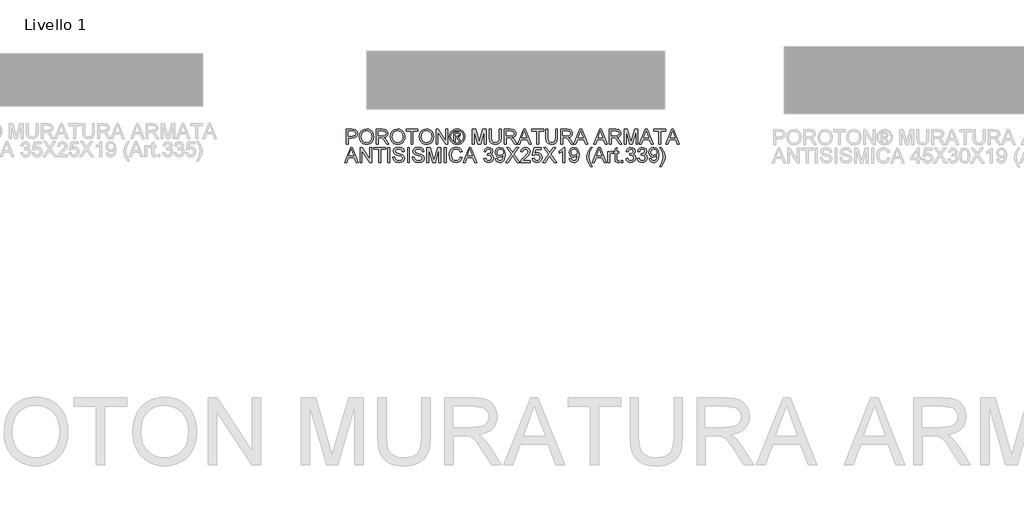
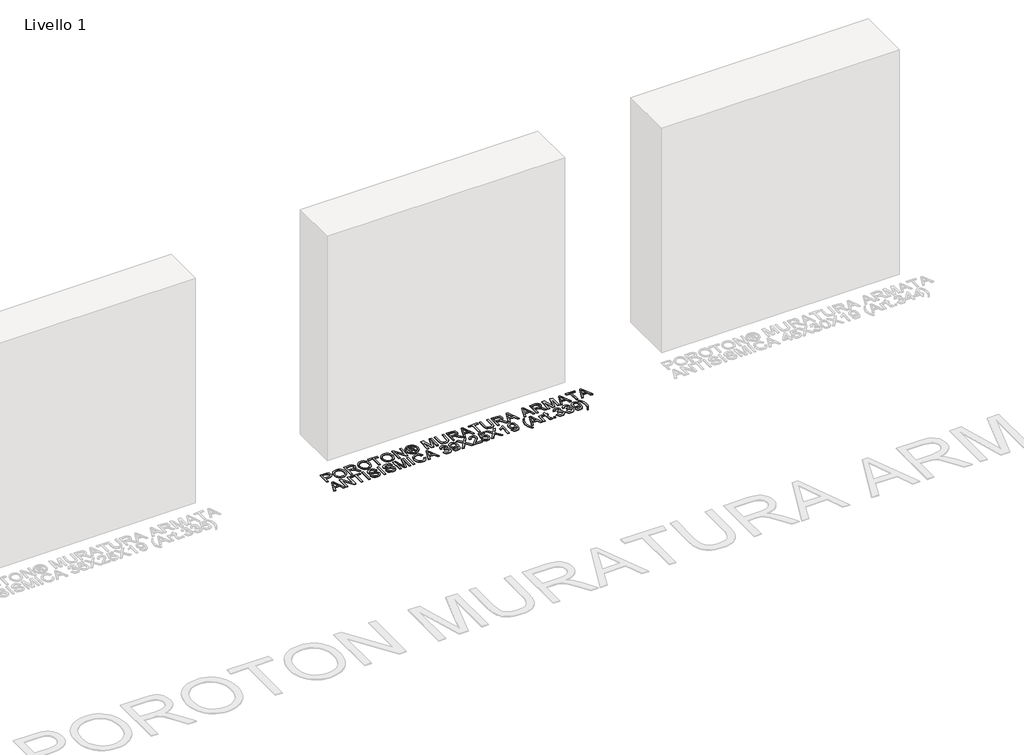
# One storey, part 5 of 8: 1 proxy.
"""IFC4 building model written with IfcOpenShell, lengths in millimetres."""

from ifc_helpers import new_model, si_unit, origin, origin_with_axes, place, context, project, spatial, polyline, outline, extrude, element, save

model = new_model("IFC4")

# Units and contexts
model_context = context("Model", 3, world=origin())
ifc_project = project(units=[si_unit("LENGTHUNIT", "METRE", prefix="MILLI")], contexts=[model_context])

# Site, building, storey
site = spatial("IfcSite", under=ifc_project)
building = spatial("IfcBuilding", under=site)
storey = spatial("IfcBuildingStorey", under=building, Name="Livello 1", Elevation=0.0)

# Proxy
placement = place(None, origin())
element("IfcBuildingElementProxy", 1, Name="100", ObjectType="100", at=placement, inside=storey, context=model_context, shape_type="SweptSolid", body=[
    extrude(outline(polyline([(1493.5332454, -939.3697225), (1493.5332454, -838.9134124), (1530.7629033, -838.9134124), (1545.7724887, -839.8699056), (1557.9739082, -844.5665324), (1565.8833711, -854.2786171), (1568.875478, -867.97609), (1566.8551927, -879.8157589), (1560.7943368, -889.6811277), (1549.4605057, -896.3397918), (1531.6212946, -898.5593465), (1506.0902841, -898.5593465), (1506.0902841, -939.3697225), (1493.5332454, -939.3697225)]), holes=[polyline([(1506.0902841, -886.0023078), (1532.3570586, -886.0023078), (1550.8492602, -881.3915201), (1554.9511445, -875.8426333), (1556.3184392, -868.4175484), (1553.0933404, -858.0187507), (1544.6197918, -852.3288425), (1532.062753, -851.4704512), (1506.0902841, -851.4704512), (1506.0902841, -886.0023078)])]), origin_with_axes(), (0.0, 0.0, 1.0), 5.0),
    extrude(outline(polyline([(1581.4325168, -890.4659427), (1584.7802429, -868.2520015), (1594.8234214, -851.4459257), (1610.1579692, -840.8693183), (1629.3798035, -837.3437825), (1642.5561103, -838.9992515), (1654.3712537, -843.9656585), (1664.1814402, -851.8935155), (1671.3428764, -862.4333346), (1675.7206721, -875.0762125), (1677.1799374, -889.3132457), (1675.64403, -903.7403513), (1671.0363081, -916.5610388), (1663.6112231, -927.1192521), (1653.6232269, -934.7589349), (1641.9092511, -939.394248), (1629.3062271, -940.9393524), (1615.9275852, -939.2317668), (1604.0449967, -934.10901), (1594.2593357, -926.0340002), (1587.1714759, -915.4696556), (1581.4325168, -890.4659427)]), holes=[polyline([(1593.9895555, -890.58857), (1596.5003501, -906.3032625), (1604.032734, -918.2778215), (1615.3543024, -925.8561906), (1629.2326507, -928.3823136), (1643.313334, -925.8316651), (1654.6532965, -918.1797196), (1662.1304981, -905.8372787), (1664.6228986, -889.2151439), (1660.3554675, -868.4911248), (1647.8842678, -854.7691264), (1629.4533799, -849.9008213), (1615.9459793, -852.246069), (1604.4619297, -859.2818122), (1596.6076491, -871.7989971), (1593.9895555, -890.58857)])]), origin_with_axes(), (0.0, 0.0, 1.0), 5.0),
    extrude(outline(polyline([(1694.4458657, -939.3697225), (1694.4458657, -838.9134124), (1737.7333138, -838.9134124), (1757.8319334, -841.6234764), (1768.8193424, -851.2129338), (1772.927358, -866.4064602), (1771.2259038, -876.3024858), (1766.1215411, -884.5062543), (1757.4609858, -890.521125), (1745.0909537, -893.850457), (1752.2278644, -899.2215341), (1762.4059329, -912.1464549), (1779.1568264, -939.3697225), (1764.564174, -939.3697225), (1751.4921004, -918.5476016), (1742.0497959, -904.7642895), (1735.4156572, -898.2527782), (1729.4437062, -895.8615452), (1722.1596426, -895.4200869), (1707.0029044, -895.4200869), (1707.0029044, -939.3697225), (1694.4458657, -939.3697225)]), holes=[polyline([(1707.0029044, -882.8630481), (1735.1090889, -882.8630481), (1749.444224, -881.0849518), (1757.5866788, -875.3950436), (1760.3703192, -866.872444), (1755.0605557, -855.8114587), (1738.272874, -851.4704512), (1707.0029044, -851.4704512), (1707.0029044, -882.8630481)])]), origin_with_axes(), (0.0, 0.0, 1.0), 5.0),
    extrude(outline(polyline([(1790.1932863, -890.4659427), (1793.5410124, -868.2520015), (1803.5841909, -851.4459257), (1818.9187387, -840.8693183), (1838.140573, -837.3437825), (1851.3168798, -838.9992515), (1863.1320232, -843.9656585), (1872.9422097, -851.8935155), (1880.1036459, -862.4333346), (1884.4814417, -875.0762125), (1885.9407069, -889.3132457), (1884.4047996, -903.7403513), (1879.7970776, -916.5610388), (1872.3719926, -927.1192521), (1862.3839965, -934.7589349), (1850.6700206, -939.394248), (1838.0669966, -940.9393524), (1824.6883547, -939.2317668), (1812.8057663, -934.10901), (1803.0201052, -926.0340002), (1795.9322454, -915.4696556), (1790.1932863, -890.4659427)]), holes=[polyline([(1802.7503251, -890.58857), (1805.2611197, -906.3032625), (1812.7935035, -918.2778215), (1824.1150719, -925.8561906), (1837.9934202, -928.3823136), (1852.0741036, -925.8316651), (1863.4140661, -918.1797196), (1870.8912676, -905.8372787), (1873.3836681, -889.2151439), (1869.116237, -868.4911248), (1856.6450374, -854.7691264), (1838.2141494, -849.9008213), (1824.7067488, -852.246069), (1813.2226992, -859.2818122), (1805.3684186, -871.7989971), (1802.7503251, -890.58857)])]), origin_with_axes(), (0.0, 0.0, 1.0), 5.0),
    extrude(outline(polyline([(1928.3207127, -939.3697225), (1928.3207127, -851.4704512), (1895.358486, -851.4704512), (1895.358486, -838.9134124), (1973.8399783, -838.9134124), (1973.8399783, -851.4704512), (1940.8777515, -851.4704512), (1940.8777515, -939.3697225), (1928.3207127, -939.3697225)])), origin_with_axes(), (0.0, 0.0, 1.0), 5.0),
    extrude(outline(polyline([(1983.2577574, -890.4659427), (1986.6054835, -868.2520015), (1996.648662, -851.4459257), (2011.9832098, -840.8693183), (2031.2050441, -837.3437825), (2044.3813509, -838.9992515), (2056.1964943, -843.9656585), (2066.0066808, -851.8935155), (2073.168117, -862.4333346), (2077.5459127, -875.0762125), (2079.005178, -889.3132457), (2077.4692706, -903.7403513), (2072.8615486, -916.5610388), (2065.4364637, -927.1192521), (2055.4484675, -934.7589349), (2043.7344917, -939.394248), (2031.1314677, -940.9393524), (2017.7528258, -939.2317668), (2005.8702373, -934.10901), (1996.0845763, -926.0340002), (1988.9967165, -915.4696556), (1983.2577574, -890.4659427)]), holes=[polyline([(1995.8147961, -890.58857), (1998.3255907, -906.3032625), (2005.8579746, -918.2778215), (2017.179543, -925.8561906), (2031.0578913, -928.3823136), (2045.1385746, -925.8316651), (2056.4785371, -918.1797196), (2063.9557387, -905.8372787), (2066.4481392, -889.2151439), (2062.1807081, -868.4911248), (2049.7095084, -854.7691264), (2031.2786205, -849.9008213), (2017.7712199, -852.246069), (2006.2871703, -859.2818122), (1998.4328897, -871.7989971), (1995.8147961, -890.58857)])]), origin_with_axes(), (0.0, 0.0, 1.0), 5.0),
    extrude(outline(polyline([(2096.2711063, -939.3697225), (2096.2711063, -838.9134124), (2109.7110618, -838.9134124), (2162.1955598, -918.4985507), (2162.1955598, -838.9134124), (2174.7525986, -838.9134124), (2174.7525986, -939.3697225), (2161.312643, -939.3697225), (2108.828145, -859.7600588), (2108.828145, -939.3697225), (2096.2711063, -939.3697225)])), origin_with_axes(), (0.0, 0.0, 1.0), 5.0),
    extrude(outline(polyline([(2237.5623179, -837.3437825), (2250.4565818, -839.0176456), (2263.0442774, -844.0392349), (2274.1021971, -852.1755583), (2282.4071331, -863.1936241), (2287.6034663, -875.9162097), (2289.3355773, -889.1660929), (2287.6279918, -902.2994802), (2282.505235, -914.9178326), (2274.3014665, -925.8960445), (2263.3508458, -934.10901), (2250.7416904, -939.2317668), (2237.5623179, -940.9393524), (2224.4013395, -939.2317668), (2211.7983155, -934.10901), (2200.8384977, -925.8960445), (2192.6071381, -914.9178326), (2187.4567901, -902.2994802), (2185.7400075, -889.1660929), (2187.4813156, -875.9162097), (2192.7052399, -863.1936241), (2201.0377671, -852.1755583), (2212.1048838, -844.0392349), (2224.6864481, -839.0176456), (2237.5623179, -837.3437825)]), holes=[polyline([(2237.5623179, -846.7615616), (2216.740197, -852.2430034), (2207.7117597, -858.9047331), (2200.884483, -867.9270391), (2195.1577866, -889.1660929), (2200.7741184, -910.2212058), (2216.4949423, -925.9052415), (2237.5623179, -931.5215733), (2258.6419562, -925.9052415), (2274.3259919, -910.2212058), (2279.9177983, -889.1660929), (2274.2278901, -867.9270391), (2267.4190075, -858.9047331), (2258.3721761, -852.2430034), (2237.5623179, -846.7615616)])]), origin_with_axes(), (0.0, 0.0, 1.0), 5.0),
    extrude(outline(polyline([(2213.9933447, -920.5341644), (2213.9933447, -857.7489705), (2234.2759054, -857.7489705), (2249.3345417, -859.4780159), (2256.7534953, -865.5112806), (2259.5126103, -874.6715423), (2254.7546698, -886.590919), (2242.1485801, -892.2808272), (2247.0536734, -895.6162906), (2255.6130611, -908.1488039), (2262.65187, -920.5341644), (2252.0568685, -920.5341644), (2246.5386386, -910.5768251), (2237.2925378, -896.1558508), (2229.2727103, -893.850457), (2223.4111238, -893.850457), (2223.4111238, -920.5341644), (2213.9933447, -920.5341644)]), holes=[polyline([(2223.4111238, -884.4326779), (2235.3305005, -884.4326779), (2246.980097, -882.041445), (2250.0948312, -875.7016119), (2248.5987777, -871.1398752), (2244.4417112, -868.1477683), (2234.570211, -867.1667496), (2223.4111238, -867.1667496), (2223.4111238, -884.4326779)])]), origin_with_axes(), (0.0, 0.0, 1.0), 5.0),
    extrude(outline(polyline([(2339.5637324, -939.3697225), (2339.5637324, -838.9134124), (2361.1706683, -838.9134124), (2381.7230091, -909.7184337), (2385.8678129, -924.5072899), (2390.3559732, -908.4921604), (2410.5649575, -838.9134124), (2432.1718933, -838.9134124), (2432.1718933, -939.3697225), (2419.6148546, -939.3697225), (2419.6148546, -851.4704512), (2394.3781497, -939.3697225), (2377.3574761, -939.3697225), (2352.1207712, -851.4704512), (2352.1207712, -939.3697225), (2339.5637324, -939.3697225)])), origin_with_axes(), (0.0, 0.0, 1.0), 5.0),
    extrude(outline(polyline([(2520.0711647, -838.9134124), (2532.6282035, -838.9134124), (2532.6282035, -896.8670894), (2529.2191637, -920.8897837), (2516.931905, -935.3598088), (2506.6679974, -939.5444665), (2493.632712, -940.9393524), (2470.6891382, -936.0833101), (2463.0494555, -930.1389501), (2457.9604212, -922.0179551), (2454.1467112, -896.8670894), (2454.1467112, -838.9134124), (2466.70375, -838.9134124), (2466.70375, -896.425631), (2469.1808221, -915.5677575), (2477.6911589, -925.0468502), (2492.4554896, -928.3823136), (2505.2271262, -926.732976), (2513.7190689, -921.7849632), (2518.4831408, -912.1464549), (2520.0711647, -896.425631), (2520.0711647, -838.9134124)])), origin_with_axes(), (0.0, 0.0, 1.0), 5.0),
    extrude(outline(polyline([(2554.6030213, -939.3697225), (2554.6030213, -838.9134124), (2597.8904694, -838.9134124), (2617.9890891, -841.6234764), (2628.976498, -851.2129338), (2633.0845136, -866.4064602), (2631.3830594, -876.3024858), (2626.2786967, -884.5062543), (2617.6181414, -890.521125), (2605.2481093, -893.850457), (2612.38502, -899.2215341), (2622.5630886, -912.1464549), (2639.3139821, -939.3697225), (2624.7213296, -939.3697225), (2611.6492561, -918.5476016), (2602.2069515, -904.7642895), (2595.5728129, -898.2527782), (2589.6008618, -895.8615452), (2582.3167983, -895.4200869), (2567.1600601, -895.4200869), (2567.1600601, -939.3697225), (2554.6030213, -939.3697225)]), holes=[polyline([(2567.1600601, -882.8630481), (2595.2662445, -882.8630481), (2609.6013796, -881.0849518), (2617.7438344, -875.3950436), (2620.5274749, -866.872444), (2615.2177114, -855.8114587), (2598.4300297, -851.4704512), (2567.1600601, -851.4704512), (2567.1600601, -882.8630481)])]), origin_with_axes(), (0.0, 0.0, 1.0), 5.0),
    extrude(outline(polyline([(2643.360684, -939.3697225), (2683.4598215, -838.9134124), (2694.1529248, -838.9134124), (2734.2520623, -939.3697225), (2720.983785, -939.3697225), (2709.4813413, -907.9771256), (2668.1068796, -907.9771256), (2656.6289613, -939.3697225), (2643.360684, -939.3697225)]), holes=[polyline([(2672.7176673, -895.4200869), (2704.8950791, -895.4200869), (2695.845182, -870.7229422), (2688.8063732, -851.4704512), (2682.5523793, -868.5647012), (2672.7176673, -895.4200869)])]), origin_with_axes(), (0.0, 0.0, 1.0), 5.0),
    extrude(outline(polyline([(2772.7815699, -939.3697225), (2772.7815699, -851.4704512), (2739.8193432, -851.4704512), (2739.8193432, -838.9134124), (2818.3008355, -838.9134124), (2818.3008355, -851.4704512), (2785.3386087, -851.4704512), (2785.3386087, -939.3697225), (2772.7815699, -939.3697225)])), origin_with_axes(), (0.0, 0.0, 1.0), 5.0),
    extrude(outline(polyline([(2898.3519576, -838.9134124), (2910.9089964, -838.9134124), (2910.9089964, -896.8670894), (2907.4999566, -920.8897837), (2895.2126979, -935.3598088), (2884.9487903, -939.5444665), (2871.9135049, -940.9393524), (2848.9699311, -936.0833101), (2841.3302484, -930.1389501), (2836.2412141, -922.0179551), (2832.4275041, -896.8670894), (2832.4275041, -838.9134124), (2844.9845429, -838.9134124), (2844.9845429, -896.425631), (2847.461615, -915.5677575), (2855.9719518, -925.0468502), (2870.7362825, -928.3823136), (2883.5079191, -926.732976), (2891.9998618, -921.7849632), (2896.7639337, -912.1464549), (2898.3519576, -896.425631), (2898.3519576, -838.9134124)])), origin_with_axes(), (0.0, 0.0, 1.0), 5.0),
    extrude(outline(polyline([(2932.8838142, -939.3697225), (2932.8838142, -838.9134124), (2976.1712623, -838.9134124), (2996.269882, -841.6234764), (3007.2572909, -851.2129338), (3011.3653065, -866.4064602), (3009.6638523, -876.3024858), (3004.5594896, -884.5062543), (2995.8989343, -890.521125), (2983.5289022, -893.850457), (2990.665813, -899.2215341), (3000.8438815, -912.1464549), (3017.594775, -939.3697225), (3003.0021225, -939.3697225), (2989.930049, -918.5476016), (2980.4877444, -904.7642895), (2973.8536058, -898.2527782), (2967.8816547, -895.8615452), (2960.5975912, -895.4200869), (2945.440853, -895.4200869), (2945.440853, -939.3697225), (2932.8838142, -939.3697225)]), holes=[polyline([(2945.440853, -882.8630481), (2973.5470374, -882.8630481), (2987.8821725, -881.0849518), (2996.0246273, -875.3950436), (2998.8082678, -866.872444), (2993.4985043, -855.8114587), (2976.7108226, -851.4704512), (2945.440853, -851.4704512), (2945.440853, -882.8630481)])]), origin_with_axes(), (0.0, 0.0, 1.0), 5.0),
    extrude(outline(polyline([(3021.6414769, -939.3697225), (3061.7406144, -838.9134124), (3072.4337177, -838.9134124), (3112.5328552, -939.3697225), (3099.2645779, -939.3697225), (3087.7621342, -907.9771256), (3046.3876725, -907.9771256), (3034.9097542, -939.3697225), (3021.6414769, -939.3697225)]), holes=[polyline([(3050.9984602, -895.4200869), (3083.175872, -895.4200869), (3074.1259749, -870.7229422), (3067.0871661, -851.4704512), (3060.8331722, -868.5647012), (3050.9984602, -895.4200869)])]), origin_with_axes(), (0.0, 0.0, 1.0), 5.0),
    extrude(outline(polyline([(3153.490384, -939.3697225), (3193.5895215, -838.9134124), (3204.2826248, -838.9134124), (3244.3817623, -939.3697225), (3231.113485, -939.3697225), (3219.6110413, -907.9771256), (3178.2365796, -907.9771256), (3166.7586613, -939.3697225), (3153.490384, -939.3697225)]), holes=[polyline([(3182.8473672, -895.4200869), (3215.0247791, -895.4200869), (3205.974882, -870.7229422), (3198.9360732, -851.4704512), (3192.6820792, -868.5647012), (3182.8473672, -895.4200869)])]), origin_with_axes(), (0.0, 0.0, 1.0), 5.0),
    extrude(outline(polyline([(3257.7971924, -939.3697225), (3257.7971924, -838.9134124), (3301.0846405, -838.9134124), (3321.1832602, -841.6234764), (3332.1706691, -851.2129338), (3336.2786847, -866.4064602), (3334.5772305, -876.3024858), (3329.4728678, -884.5062543), (3320.8123125, -890.521125), (3308.4422804, -893.850457), (3315.5791911, -899.2215341), (3325.7572596, -912.1464549), (3342.5081531, -939.3697225), (3327.9155007, -939.3697225), (3314.8434271, -918.5476016), (3305.4011226, -904.7642895), (3298.7669839, -898.2527782), (3292.7950329, -895.8615452), (3285.5109694, -895.4200869), (3270.3542311, -895.4200869), (3270.3542311, -939.3697225), (3257.7971924, -939.3697225)]), holes=[polyline([(3270.3542311, -882.8630481), (3298.4604156, -882.8630481), (3312.7955507, -881.0849518), (3320.9380055, -875.3950436), (3323.7216459, -866.872444), (3318.4118825, -855.8114587), (3301.6242007, -851.4704512), (3270.3542311, -851.4704512), (3270.3542311, -882.8630481)])]), origin_with_axes(), (0.0, 0.0, 1.0), 5.0),
    extrude(outline(polyline([(3358.2535025, -939.3697225), (3358.2535025, -838.9134124), (3379.8604384, -838.9134124), (3400.4127792, -909.7184337), (3404.557583, -924.5072899), (3409.0457433, -908.4921604), (3429.2547276, -838.9134124), (3450.8616634, -838.9134124), (3450.8616634, -939.3697225), (3438.3046247, -939.3697225), (3438.3046247, -851.4704512), (3413.0679198, -939.3697225), (3396.0472462, -939.3697225), (3370.8105413, -851.4704512), (3370.8105413, -939.3697225), (3358.2535025, -939.3697225)])), origin_with_axes(), (0.0, 0.0, 1.0), 5.0),
    extrude(outline(polyline([(3461.1378338, -939.3697225), (3501.2369713, -838.9134124), (3511.9300746, -838.9134124), (3552.0292121, -939.3697225), (3538.7609348, -939.3697225), (3527.2584911, -907.9771256), (3485.8840294, -907.9771256), (3474.4061111, -939.3697225), (3461.1378338, -939.3697225)]), holes=[polyline([(3490.4948171, -895.4200869), (3522.6722289, -895.4200869), (3513.6223318, -870.7229422), (3506.583523, -851.4704512), (3500.3295291, -868.5647012), (3490.4948171, -895.4200869)])]), origin_with_axes(), (0.0, 0.0, 1.0), 5.0),
    extrude(outline(polyline([(3590.5587198, -939.3697225), (3590.5587198, -851.4704512), (3557.596493, -851.4704512), (3557.596493, -838.9134124), (3636.0779853, -838.9134124), (3636.0779853, -851.4704512), (3603.1157585, -851.4704512), (3603.1157585, -939.3697225), (3590.5587198, -939.3697225)])), origin_with_axes(), (0.0, 0.0, 1.0), 5.0),
    extrude(outline(polyline([(3638.5060065, -939.3697225), (3678.6051439, -838.9134124), (3689.2982473, -838.9134124), (3729.3973847, -939.3697225), (3716.1291074, -939.3697225), (3704.6266637, -907.9771256), (3663.252202, -907.9771256), (3651.7742837, -939.3697225), (3638.5060065, -939.3697225)]), holes=[polyline([(3667.8629897, -895.4200869), (3700.0404015, -895.4200869), (3690.9905044, -870.7229422), (3683.9516956, -851.4704512), (3677.6977017, -868.5647012), (3667.8629897, -895.4200869)])]), origin_with_axes(), (0.0, 0.0, 1.0), 5.0),
    extrude(outline(polyline([(1481.8345979, -1061.3445404), (1521.9337354, -960.8882302), (1532.6268387, -960.8882302), (1572.7259762, -1061.3445404), (1559.4576989, -1061.3445404), (1547.9552552, -1029.9519435), (1506.5807935, -1029.9519435), (1495.1028752, -1061.3445404), (1481.8345979, -1061.3445404)]), holes=[polyline([(1511.1915811, -1017.3949047), (1543.368993, -1017.3949047), (1534.3190959, -992.6977601), (1527.2802871, -973.445269), (1521.0262932, -990.5395191), (1511.1915811, -1017.3949047)])]), origin_with_axes(), (0.0, 0.0, 1.0), 5.0),
    extrude(outline(polyline([(1586.1414063, -1061.3445404), (1586.1414063, -960.8882302), (1599.5813619, -960.8882302), (1652.0658598, -1040.4733685), (1652.0658598, -960.8882302), (1664.6228986, -960.8882302), (1664.6228986, -1061.3445404), (1651.182943, -1061.3445404), (1598.6984451, -981.7348766), (1598.6984451, -1061.3445404), (1586.1414063, -1061.3445404)])), origin_with_axes(), (0.0, 0.0, 1.0), 5.0),
    extrude(outline(polyline([(1711.711794, -1061.3445404), (1711.711794, -973.445269), (1678.7495672, -973.445269), (1678.7495672, -960.8882302), (1757.2310595, -960.8882302), (1757.2310595, -973.445269), (1724.2688328, -973.445269), (1724.2688328, -1061.3445404), (1711.711794, -1061.3445404)])), origin_with_axes(), (0.0, 0.0, 1.0), 5.0),
    extrude(outline(polyline([(1772.927358, -1061.3445404), (1772.927358, -960.8882302), (1785.4843968, -960.8882302), (1785.4843968, -1061.3445404), (1772.927358, -1061.3445404)])), origin_with_axes(), (0.0, 0.0, 1.0), 5.0),
    extrude(outline(polyline([(1805.8895848, -1026.8126838), (1818.4466235, -1026.8126838), (1822.4933255, -1039.3819853), (1832.3770884, -1047.3282364), (1847.4357247, -1050.3571315), (1860.5568492, -1048.0640004), (1869.0303979, -1041.7609555), (1871.8140383, -1033.3364578), (1869.7293736, -1025.5005713), (1861.1945114, -1019.7984004), (1842.9107762, -1015.0036717), (1823.2290895, -1008.8109915), (1812.5482489, -999.4667888), (1809.0288444, -986.9833264), (1813.3821147, -972.7708187), (1826.098569, -962.7399029), (1844.713398, -959.3186004), (1864.5790257, -962.8993185), (1877.8227775, -973.4207435), (1882.8014472, -989.1415675), (1870.2444084, -989.1415675), (1867.9390146, -981.6490375), (1863.1320232, -976.2411722), (1845.2039073, -971.8756392), (1827.2267405, -976.1921212), (1821.5858832, -986.6154444), (1825.5835342, -995.321985), (1846.0868241, -1002.3362684), (1868.3068966, -1008.6393132), (1880.4592652, -1018.8173817), (1884.3710771, -1033.0176268), (1879.870654, -1048.0394749), (1866.9212077, -1059.0023584), (1847.9262341, -1062.9141702), (1825.4976951, -1058.69579), (1811.3097128, -1045.9915985), (1805.8895848, -1026.8126838)])), origin_with_axes(), (0.0, 0.0, 1.0), 5.0),
    extrude(outline(polyline([(1904.7762651, -1061.3445404), (1904.7762651, -960.8882302), (1917.3333038, -960.8882302), (1917.3333038, -1061.3445404), (1904.7762651, -1061.3445404)])), origin_with_axes(), (0.0, 0.0, 1.0), 5.0),
    extrude(outline(polyline([(1937.7384918, -1026.8126838), (1950.2955306, -1026.8126838), (1954.3422325, -1039.3819853), (1964.2259955, -1047.3282364), (1979.2846318, -1050.3571315), (1992.4057563, -1048.0640004), (2000.8793049, -1041.7609555), (2003.6629454, -1033.3364578), (2001.5782807, -1025.5005713), (1993.0434184, -1019.7984004), (1974.7596833, -1015.0036717), (1955.0779965, -1008.8109915), (1944.3971559, -999.4667888), (1940.8777515, -986.9833264), (1945.2310218, -972.7708187), (1957.9474761, -962.7399029), (1976.562305, -959.3186004), (1996.4279328, -962.8993185), (2009.6716846, -973.4207435), (2014.6503543, -989.1415675), (2002.0933155, -989.1415675), (1999.7879217, -981.6490375), (1994.9809303, -976.2411722), (1977.0528144, -971.8756392), (1959.0756475, -976.1921212), (1953.4347903, -986.6154444), (1957.4324413, -995.321985), (1977.9357312, -1002.3362684), (2000.1558037, -1008.6393132), (2012.3081722, -1018.8173817), (2016.2199841, -1033.0176268), (2011.7195611, -1048.0394749), (1998.7701148, -1059.0023584), (1979.7751411, -1062.9141702), (1957.3466022, -1058.69579), (1943.1586199, -1045.9915985), (1937.7384918, -1026.8126838)])), origin_with_axes(), (0.0, 0.0, 1.0), 5.0),
    extrude(outline(polyline([(2035.0555423, -1061.3445404), (2035.0555423, -960.8882302), (2056.6624781, -960.8882302), (2077.2148189, -1031.6932516), (2081.3596227, -1046.4821078), (2085.8477831, -1030.4669783), (2106.0567673, -960.8882302), (2127.6637032, -960.8882302), (2127.6637032, -1061.3445404), (2115.1066644, -1061.3445404), (2115.1066644, -973.445269), (2089.8699596, -1061.3445404), (2072.8492859, -1061.3445404), (2047.612581, -973.445269), (2047.612581, -1061.3445404), (2035.0555423, -1061.3445404)])), origin_with_axes(), (0.0, 0.0, 1.0), 5.0),
    extrude(outline(polyline([(2151.2081509, -1061.3445404), (2151.2081509, -960.8882302), (2163.7651897, -960.8882302), (2163.7651897, -1061.3445404), (2151.2081509, -1061.3445404)])), origin_with_axes(), (0.0, 0.0, 1.0), 5.0),
    extrude(outline(polyline([(2259.5126103, -1025.6354614), (2272.069649, -1028.8728229), (2266.2755076, -1043.5053293), (2257.182691, -1054.195367), (2245.2387889, -1060.7344694), (2230.891391, -1062.9141702), (2216.3263297, -1061.2648326), (2204.7595067, -1056.3168198), (2195.8935506, -1048.24181), (2189.4310902, -1037.2114815), (2184.1703777, -1010.3560959), (2185.6572341, -995.7082611), (2190.1178032, -983.0592518), (2197.3190933, -972.8106726), (2207.0281123, -965.3641278), (2218.5428187, -960.8299823), (2231.1611712, -959.3186004), (2244.9291548, -961.2745063), (2256.3120369, -967.1422242), (2264.9541981, -976.5600032), (2270.5000192, -989.1660929), (2257.9429804, -992.1581998), (2247.6422846, -976.7194188), (2230.6706618, -971.8756392), (2211.0257633, -977.2467163), (2199.9279898, -991.6676905), (2196.7274164, -1010.3315704), (2200.516601, -1031.9630317), (2212.3133503, -1045.783132), (2229.6405923, -1050.3571315), (2240.1221634, -1048.7997644), (2248.8562951, -1044.127663), (2255.4505799, -1036.3898784), (2259.5126103, -1025.6354614)])), origin_with_axes(), (0.0, 0.0, 1.0), 5.0),
    extrude(outline(polyline([(2277.6369299, -1061.3445404), (2317.7360674, -960.8882302), (2328.4291707, -960.8882302), (2368.5283082, -1061.3445404), (2355.2600309, -1061.3445404), (2343.7575872, -1029.9519435), (2302.3831254, -1029.9519435), (2290.9052072, -1061.3445404), (2277.6369299, -1061.3445404)]), holes=[polyline([(2306.9939131, -1017.3949047), (2339.171325, -1017.3949047), (2330.1214279, -992.6977601), (2323.082619, -973.445269), (2316.8286251, -990.5395191), (2306.9939131, -1017.3949047)])]), origin_with_axes(), (0.0, 0.0, 1.0), 5.0),
    extrude(outline(polyline([(2416.4755949, -1034.660833), (2429.0326336, -1033.0912032), (2435.9610779, -1046.3104295), (2448.9227869, -1050.3571315), (2457.5312255, -1048.9653113), (2464.1776269, -1044.7898506), (2469.8430096, -1031.0065385), (2464.2266779, -1018.0203041), (2449.9528564, -1012.8822189), (2441.148214, -1014.255645), (2442.5461656, -1001.6986062), (2444.5572538, -1001.845759), (2458.8065498, -998.2405155), (2463.5522275, -993.666516), (2465.1341201, -987.1550047), (2460.5478579, -977.3325554), (2448.7265831, -973.445269), (2436.7581555, -977.3693436), (2430.6022635, -989.1415675), (2418.0452247, -987.5719376), (2421.7424388, -976.2963545), (2428.3213951, -967.8779881), (2437.3222413, -962.6356697), (2448.2851247, -960.8882302), (2463.4296002, -964.3340583), (2474.0246017, -973.7518373), (2477.6911589, -986.4192407), (2474.2085427, -997.9952608), (2463.9078468, -1006.3093939), (2477.593057, -1014.8933071), (2482.4000484, -1031.2272677), (2479.9965527, -1043.4654754), (2472.7860656, -1053.6925949), (2461.9028899, -1060.6087764), (2448.4813285, -1062.9141702), (2436.3412226, -1060.9460016), (2426.4574597, -1055.0414955), (2419.5841977, -1046.0099926), (2416.4755949, -1034.660833)])), origin_with_axes(), (0.0, 0.0, 1.0), 5.0),
    extrude(outline(polyline([(2494.9570872, -1036.2304629), (2507.514126, -1034.660833), (2513.1549832, -1046.6415233), (2523.8480865, -1050.3571315), (2534.0138923, -1047.9658985), (2540.9055484, -1041.5770145), (2545.013564, -1030.663182), (2546.8284485, -1016.095055), (2546.7548721, -1013.6425083), (2536.7116936, -1023.1583893), (2522.9406443, -1026.8126838), (2511.4903172, -1024.5808663), (2501.9591078, -1017.885414), (2495.53037, -1007.5417986), (2493.3874573, -994.3654918), (2495.6346032, -980.753858), (2502.3760408, -970.0852801), (2512.5019927, -963.1874927), (2524.9026816, -960.8882302), (2542.7940093, -966.13668), (2555.1057934, -981.0972145), (2559.3119109, -1009.2033989), (2555.1180561, -1039.7008163), (2549.9033288, -1049.6918782), (2542.6468565, -1056.9790074), (2533.6613388, -1061.4303795), (2523.2594753, -1062.9141702), (2512.5234525, -1061.1636651), (2503.9579333, -1055.9121496), (2497.9675882, -1047.4907176), (2494.9570872, -1036.2304629)]), holes=[polyline([(2546.7548721, -994.0711862), (2545.3998401, -985.5608494), (2541.334744, -979.0125499), (2535.0255678, -974.8370892), (2526.9382953, -973.445269), (2518.5505858, -974.9443881), (2511.830608, -979.4417455), (2507.4160241, -986.3242045), (2505.9444961, -994.9786285), (2507.3363163, -1002.7378729), (2511.511777, -1008.8968306), (2518.0662078, -1012.9159414), (2526.5949388, -1014.255645), (2541.0772266, -1008.8968306), (2545.3354607, -1002.5110123), (2546.7548721, -994.0711862)])]), origin_with_axes(), (0.0, 0.0, 1.0), 5.0),
    extrude(outline(polyline([(2564.0208004, -1061.3445404), (2602.7465118, -1006.6036995), (2570.2993198, -960.8882302), (2585.3579561, -960.8882302), (2603.6294286, -986.6154444), (2609.7853206, -996.6463602), (2616.9958077, -986.4437662), (2635.0710764, -960.8882302), (2650.3504419, -960.8882302), (2617.90325, -1006.7508523), (2656.6289613, -1061.3445404), (2641.570325, -1061.3445404), (2615.7695344, -1024.9487483), (2610.3984573, -1017.3949047), (2604.4878199, -1025.6845123), (2579.3001659, -1061.3445404), (2564.0208004, -1061.3445404)])), origin_with_axes(), (0.0, 0.0, 1.0), 5.0),
    extrude(outline(polyline([(2728.8319342, -1048.7875016), (2728.8319342, -1061.3445404), (2662.9074807, -1061.3445404), (2664.2563814, -1052.6870508), (2671.8838014, -1039.3574598), (2687.6046253, -1024.8015955), (2709.2851376, -1003.8813727), (2714.7052656, -989.6566023), (2709.5917059, -978.1418958), (2696.2375895, -973.445269), (2682.3193873, -978.0315312), (2677.0341493, -990.7111973), (2664.4771106, -989.1415675), (2667.5213341, -976.9953303), (2674.1033561, -968.1232428), (2683.8798201, -962.6969834), (2696.5073696, -960.8882302), (2709.2268896, -962.8993185), (2718.9849595, -968.9325832), (2725.1929682, -977.9456921), (2727.2623044, -988.8963128), (2725.030487, -1000.8034267), (2717.6115334, -1013.1152108), (2699.6221038, -1030.3198255), (2685.1766042, -1042.3986176), (2679.5112214, -1048.7875016), (2728.8319342, -1048.7875016)])), origin_with_axes(), (0.0, 0.0, 1.0), 5.0),
    extrude(outline(polyline([(2741.388973, -1034.660833), (2753.9460118, -1033.0912032), (2760.2735821, -1046.0283867), (2773.3947066, -1050.3571315), (2782.3955527, -1048.851881), (2789.140056, -1044.3361295), (2793.3523048, -1037.3310432), (2794.7563878, -1028.3577882), (2789.4956753, -1013.4463046), (2782.8891278, -1009.3444204), (2773.5909103, -1007.9771256), (2762.5667132, -1010.1598921), (2755.5156416, -1015.8252749), (2742.9586029, -1014.255645), (2753.9460118, -962.4578601), (2802.604537, -962.4578601), (2802.604537, -975.0148989), (2764.0995549, -975.0148989), (2758.7284777, -1002.6796249), (2767.698667, -997.2349714), (2777.098052, -995.4200869), (2788.830422, -997.6702984), (2798.5700978, -1004.420933), (2805.1275944, -1014.7093661), (2807.3134266, -1027.5729732), (2805.3452579, -1040.130012), (2799.4407519, -1050.8721663), (2788.1345119, -1059.9036692), (2773.3456557, -1062.9141702), (2761.0124118, -1060.9797241), (2751.1868968, -1055.1763856), (2744.4515906, -1046.1786051), (2741.388973, -1034.660833)])), origin_with_axes(), (0.0, 0.0, 1.0), 5.0),
    extrude(outline(polyline([(2812.0223161, -1061.3445404), (2850.7480275, -1006.6036995), (2818.3008355, -960.8882302), (2833.3594718, -960.8882302), (2851.6309442, -986.6154444), (2857.7868363, -996.6463602), (2864.9973234, -986.4437662), (2883.0725921, -960.8882302), (2898.3519576, -960.8882302), (2865.9047657, -1006.7508523), (2904.630477, -1061.3445404), (2889.5718407, -1061.3445404), (2863.7710501, -1024.9487483), (2858.399973, -1017.3949047), (2852.4893356, -1025.6845123), (2827.3016816, -1061.3445404), (2812.0223161, -1061.3445404)])), origin_with_axes(), (0.0, 0.0, 1.0), 5.0),
    extrude(outline(polyline([(2959.5675216, -1061.3445404), (2947.0104829, -1061.3445404), (2947.0104829, -983.0592518), (2935.1156317, -991.5328004), (2921.8964053, -997.8726335), (2921.8964053, -986.0023078), (2940.3027678, -974.2546094), (2951.4741177, -960.8882302), (2959.5675216, -960.8882302), (2959.5675216, -1061.3445404)])), origin_with_axes(), (0.0, 0.0, 1.0), 5.0),
    extrude(outline(polyline([(2990.9601185, -1036.2304629), (3003.5171573, -1034.660833), (3009.1580146, -1046.6415233), (3019.8511179, -1050.3571315), (3030.0169237, -1047.9658985), (3036.9085797, -1041.5770145), (3041.0165954, -1030.663182), (3042.8314799, -1016.095055), (3042.7579035, -1013.6425083), (3032.714725, -1023.1583893), (3018.9436756, -1026.8126838), (3007.4933485, -1024.5808663), (2997.9621392, -1017.885414), (2991.5334013, -1007.5417986), (2989.3904887, -994.3654918), (2991.6376346, -980.753858), (2998.3790721, -970.0852801), (3008.505024, -963.1874927), (3020.905713, -960.8882302), (3038.7970407, -966.13668), (3051.1088248, -981.0972145), (3055.3149422, -1009.2033989), (3051.1210875, -1039.7008163), (3045.9063602, -1049.6918782), (3038.6498879, -1056.9790074), (3029.6643701, -1061.4303795), (3019.2625067, -1062.9141702), (3008.5264838, -1061.1636651), (2999.9609647, -1055.9121496), (2993.9706195, -1047.4907176), (2990.9601185, -1036.2304629)]), holes=[polyline([(3042.7579035, -994.0711862), (3041.4028715, -985.5608494), (3037.3377754, -979.0125499), (3031.0285992, -974.8370892), (3022.9413267, -973.445269), (3014.5536172, -974.9443881), (3007.8336394, -979.4417455), (3003.4190554, -986.3242045), (3001.9475275, -994.9786285), (3003.3393477, -1002.7378729), (3007.5148083, -1008.8968306), (3014.0692392, -1012.9159414), (3022.5979701, -1014.255645), (3037.080258, -1008.8968306), (3041.3384921, -1002.5110123), (3042.7579035, -994.0711862)])]), origin_with_axes(), (0.0, 0.0, 1.0), 5.0),
    extrude(outline(polyline([(3133.7964345, -1089.5978776), (3115.9664205, -1060.1427925), (3110.5033729, -1042.9627034), (3108.682357, -1025.1694775), (3114.1270105, -994.6352719), (3133.7964345, -960.8882302), (3143.2142136, -960.8882302), (3131.4665152, -980.7783834), (3124.4031809, -1000.0554), (3121.2393958, -1025.2430539), (3126.7331002, -1057.4327285), (3143.2142136, -1089.5978776), (3133.7964345, -1089.5978776)])), origin_with_axes(), (0.0, 0.0, 1.0), 5.0),
    extrude(outline(polyline([(3145.6422348, -1061.3445404), (3185.7413723, -960.8882302), (3196.4344756, -960.8882302), (3236.5336131, -1061.3445404), (3223.2653358, -1061.3445404), (3211.7628921, -1029.9519435), (3170.3884303, -1029.9519435), (3158.9105121, -1061.3445404), (3145.6422348, -1061.3445404)]), holes=[polyline([(3174.999218, -1017.3949047), (3207.1766298, -1017.3949047), (3198.1267328, -992.6977601), (3191.0879239, -973.445269), (3184.83393, -990.5395191), (3174.999218, -1017.3949047)])]), origin_with_axes(), (0.0, 0.0, 1.0), 5.0),
    extrude(outline(polyline([(3248.3794133, -1061.3445404), (3248.3794133, -987.5719376), (3259.3668222, -987.5719376), (3259.3668222, -998.4857701), (3267.1659205, -988.4303289), (3275.0140698, -986.0023078), (3287.6201595, -989.8773315), (3283.4263047, -1001.1345205), (3274.5971368, -998.5593465), (3267.4970143, -1001.0364186), (3262.9720658, -1007.9035492), (3260.9364521, -1022.5697781), (3260.9364521, -1061.3445404), (3248.3794133, -1061.3445404)])), origin_with_axes(), (0.0, 0.0, 1.0), 5.0),
    extrude(outline(polyline([(3322.1520161, -1050.8721663), (3323.7216459, -1061.7124224), (3314.3283923, -1062.9141702), (3303.8069672, -1060.8295056), (3298.5585174, -1055.3603266), (3297.0379385, -1041.1110307), (3297.0379385, -1000.1289764), (3287.6201595, -1000.1289764), (3287.6201595, -987.5719376), (3297.0379385, -987.5719376), (3297.0379385, -969.6438217), (3309.5949773, -962.2616564), (3309.5949773, -987.5719376), (3322.1520161, -987.5719376), (3322.1520161, -1000.1289764), (3309.5949773, -1000.1289764), (3309.5949773, -1040.7431487), (3310.2571649, -1047.2178718), (3312.4031432, -1049.5110029), (3316.6828371, -1050.3571315), (3322.1520161, -1050.8721663)])), origin_with_axes(), (0.0, 0.0, 1.0), 5.0),
    extrude(outline(polyline([(3337.8483145, -1061.3445404), (3337.8483145, -1048.7875016), (3350.4053533, -1048.7875016), (3350.4053533, -1061.3445404), (3337.8483145, -1061.3445404)])), origin_with_axes(), (0.0, 0.0, 1.0), 5.0),
    extrude(outline(polyline([(3370.8105413, -1034.660833), (3383.3675801, -1033.0912032), (3390.2960243, -1046.3104295), (3403.2577333, -1050.3571315), (3411.866172, -1048.9653113), (3418.5125733, -1044.7898506), (3424.1779561, -1031.0065385), (3418.5616243, -1018.0203041), (3404.2878029, -1012.8822189), (3395.4831604, -1014.255645), (3396.881112, -1001.6986062), (3398.8922003, -1001.845759), (3413.1414962, -998.2405155), (3417.8871739, -993.666516), (3419.4690665, -987.1550047), (3414.8828043, -977.3325554), (3403.0615295, -973.445269), (3391.093102, -977.3693436), (3384.9372099, -989.1415675), (3372.3801711, -987.5719376), (3376.0773852, -976.2963545), (3382.6563415, -967.8779881), (3391.6571877, -962.6356697), (3402.6200711, -960.8882302), (3417.7645466, -964.3340583), (3428.3595481, -973.7518373), (3432.0261053, -986.4192407), (3428.5434891, -997.9952608), (3418.2427932, -1006.3093939), (3431.9280034, -1014.8933071), (3436.7349948, -1031.2272677), (3434.3314991, -1043.4654754), (3427.121012, -1053.6925949), (3416.2378363, -1060.6087764), (3402.8162749, -1062.9141702), (3390.676169, -1060.9460016), (3380.7924061, -1055.0414955), (3373.9191442, -1046.0099926), (3370.8105413, -1034.660833)])), origin_with_axes(), (0.0, 0.0, 1.0), 5.0),
    extrude(outline(polyline([(3447.7224038, -1034.660833), (3460.2794425, -1033.0912032), (3467.2078868, -1046.3104295), (3480.1695957, -1050.3571315), (3488.7780344, -1048.9653113), (3495.4244358, -1044.7898506), (3501.0898185, -1031.0065385), (3495.4734867, -1018.0203041), (3481.1996653, -1012.8822189), (3472.3950229, -1014.255645), (3473.7929745, -1001.6986062), (3475.8040627, -1001.845759), (3490.0533587, -998.2405155), (3494.7990364, -993.666516), (3496.380929, -987.1550047), (3491.7946668, -977.3325554), (3479.973392, -973.445269), (3468.0049644, -977.3693436), (3461.8490724, -989.1415675), (3449.2920336, -987.5719376), (3452.9892477, -976.2963545), (3459.568204, -967.8779881), (3468.5690502, -962.6356697), (3479.5319336, -960.8882302), (3494.6764091, -964.3340583), (3505.2714105, -973.7518373), (3508.9379678, -986.4192407), (3505.4553515, -997.9952608), (3495.1546557, -1006.3093939), (3508.8398659, -1014.8933071), (3513.6468573, -1031.2272677), (3511.2433616, -1043.4654754), (3504.0328745, -1053.6925949), (3493.1496988, -1060.6087764), (3479.7281373, -1062.9141702), (3467.5880315, -1060.9460016), (3457.7042686, -1055.0414955), (3450.8310066, -1046.0099926), (3447.7224038, -1034.660833)])), origin_with_axes(), (0.0, 0.0, 1.0), 5.0),
    extrude(outline(polyline([(3526.2038961, -1036.2304629), (3538.7609348, -1034.660833), (3544.4017921, -1046.6415233), (3555.0948954, -1050.3571315), (3565.2607012, -1047.9658985), (3572.1523573, -1041.5770145), (3576.2603729, -1030.663182), (3578.0752574, -1016.095055), (3578.001681, -1013.6425083), (3567.9585025, -1023.1583893), (3554.1874532, -1026.8126838), (3542.7371261, -1024.5808663), (3533.2059167, -1017.885414), (3526.7771788, -1007.5417986), (3524.6342662, -994.3654918), (3526.8814121, -980.753858), (3533.6228496, -970.0852801), (3543.7488015, -963.1874927), (3556.1494905, -960.8882302), (3574.0408182, -966.13668), (3586.3526023, -981.0972145), (3590.5587198, -1009.2033989), (3586.364865, -1039.7008163), (3581.1501377, -1049.6918782), (3573.8936654, -1056.9790074), (3564.9081476, -1061.4303795), (3554.5062842, -1062.9141702), (3543.7702613, -1061.1636651), (3535.2047422, -1055.9121496), (3529.2143971, -1047.4907176), (3526.2038961, -1036.2304629)]), holes=[polyline([(3578.001681, -994.0711862), (3576.646649, -985.5608494), (3572.5815529, -979.0125499), (3566.2723767, -974.8370892), (3558.1851042, -973.445269), (3549.7973947, -974.9443881), (3543.0774169, -979.4417455), (3538.662833, -986.3242045), (3537.191305, -994.9786285), (3538.5831252, -1002.7378729), (3542.7585858, -1008.8968306), (3549.3130167, -1012.9159414), (3557.8417476, -1014.255645), (3572.3240355, -1008.8968306), (3576.5822696, -1002.5110123), (3578.001681, -994.0711862)])]), origin_with_axes(), (0.0, 0.0, 1.0), 5.0),
    extrude(outline(polyline([(3607.8246481, -1089.5978776), (3598.406869, -1089.5978776), (3614.8879824, -1057.4327285), (3620.3816868, -1025.2430539), (3617.2179017, -1000.2761292), (3610.2281438, -980.9745872), (3598.406869, -960.8882302), (3607.8246481, -960.8882302), (3627.4940721, -994.6352719), (3632.9387256, -1025.1694775), (3631.1085127, -1042.9627034), (3625.6178739, -1060.1427925), (3607.8246481, -1089.5978776)])), origin_with_axes(), (0.0, 0.0, 1.0), 5.0),
])

save(model, "model.ifc")
